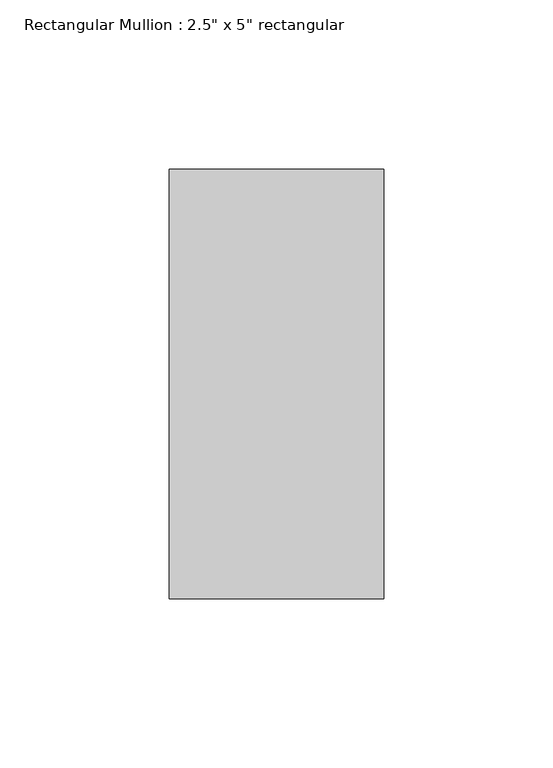
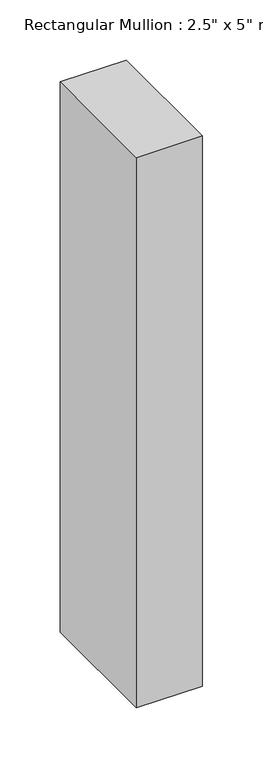
"""IFC4 building model written with IfcOpenShell, lengths in millimetres: member geometry."""

from ifc_helpers import new_model, si_unit, frame, origin, place, context, project, spatial, polyline, outline, extrude, source, transform, mapped, element, save


def member_50cacee6(model_context):
    return source(origin(), model_context, "Body", "SweptSolid", [
        extrude(outline(polyline([(0.0, 63.5), (0.0, -63.5), (-63.5, -63.5), (-63.5, 63.5), (0.0, 63.5)])), frame((0.0, 0.0, -558.8), z_axis=(0.0, 0.0, 1.0), x_axis=(1.0, 0.0, 0.0)), (0.0, 0.0, 1.0), 558.8),
    ])


if __name__ == "__main__":
    model = new_model("IFC4")
    model_context = context("Model", 3, world=origin())
    ifc_project = project(units=[si_unit("LENGTHUNIT", "METRE", prefix="MILLI")], contexts=[model_context])
    site = spatial("IfcSite", under=ifc_project)
    building = spatial("IfcBuilding", under=site)
    placement = place(None, origin())
    member_shape = member_50cacee6(model_context)
    element("IfcMember", 1, ObjectType="Rectangular Mullion : 2.5\" x 5\" rectangular", at=placement, inside=building, context=model_context, shape_type="MappedRepresentation", body=[
        mapped(member_shape, transform((0.0, 0.0, 0.0), x_axis=(1.0, 0.0, 0.0), y_axis=(0.0, 1.0, 0.0), z_axis=(0.0, 0.0, 1.0))),
    ])
    save(model, "model.ifc")
